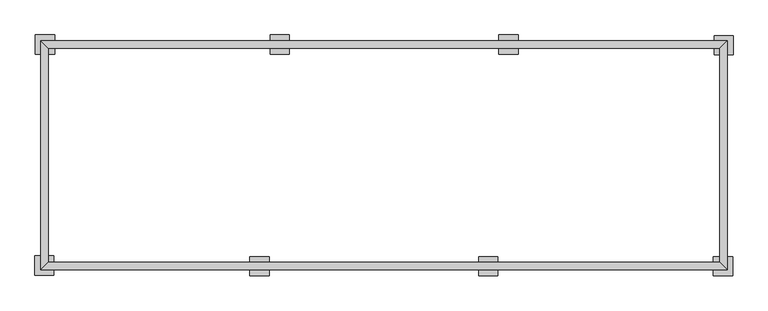
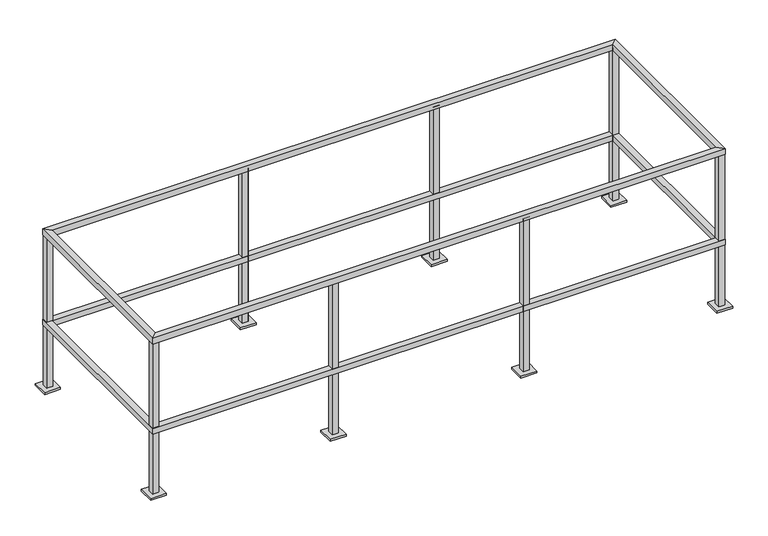
"""IFC4 building model written with IfcOpenShell, lengths in millimetres: railing geometry."""

from ifc_helpers import new_model, si_unit, frame, origin, origin_with_axes, place, context, project, spatial, polyline, outline, extrude, faceted_brep, source, transform, mapped, element, save


def railing_35b6e598(model_context):
    return source(origin(), model_context, "Body", "SolidModel", [
        faceted_brep([(-14193.5708618, -13649.3026485, 1066.8), (-14231.6708618, -13687.4026485, 1066.8), (-10574.0708618, -13687.4026485, 1066.8), (-10612.1708618, -13649.3026485, 1066.8), (-14231.6708618, -13687.4026485, 1028.7), (-10574.0708618, -13687.4026485, 1028.7), (-14193.5708618, -13649.3026485, 1028.7), (-10612.1708618, -13649.3026485, 1028.7), (-10612.1708618, -12506.3026485, 1066.8), (-10612.1708618, -12506.3026485, 1028.7), (-10574.0708618, -12468.2026485, 1028.7), (-10574.0708618, -12468.2026485, 1066.8), (-14193.5708618, -12506.3026485, 1066.8), (-14193.5708618, -12506.3026485, 1028.7), (-14231.6708618, -12468.2026485, 1028.7), (-14231.6708618, -12468.2026485, 1066.8)], [[[0, 1, 2, 3]], [[1, 4, 5, 2]], [[4, 6, 7, 5]], [[6, 0, 3, 7]], [[7, 3, 8, 9]], [[5, 7, 9, 10]], [[2, 5, 10, 11]], [[3, 2, 11, 8]], [[9, 8, 12, 13]], [[10, 9, 13, 14]], [[11, 10, 14, 15]], [[8, 11, 15, 12]], [[13, 12, 0, 6]], [[14, 13, 6, 4]], [[15, 14, 4, 1]], [[12, 15, 1, 0]]]),
        faceted_brep([(-10612.1708618, -13649.3026485, 419.1), (-10612.1708618, -13649.3026485, 457.2), (-10612.1708618, -12506.3026485, 457.2), (-10612.1708618, -12506.3026485, 419.1), (-10574.0708618, -13687.4026485, 419.1), (-10574.0708618, -12468.2026485, 419.1), (-10574.0708618, -13687.4026485, 457.2), (-10574.0708618, -12468.2026485, 457.2), (-14193.5708618, -12506.3026485, 457.2), (-14193.5708618, -12506.3026485, 419.1), (-14231.6708618, -12468.2026485, 419.1), (-14231.6708618, -12468.2026485, 457.2), (-14193.5708618, -13649.3026485, 457.2), (-14193.5708618, -13649.3026485, 419.1), (-14231.6708618, -13687.4026485, 419.1), (-14231.6708618, -13687.4026485, 457.2)], [[[0, 1, 2, 3]], [[4, 0, 3, 5]], [[6, 4, 5, 7]], [[1, 6, 7, 2]], [[3, 2, 8, 9]], [[5, 3, 9, 10]], [[7, 5, 10, 11]], [[2, 7, 11, 8]], [[9, 8, 12, 13]], [[10, 9, 13, 14]], [[11, 10, 14, 15]], [[8, 11, 15, 12]], [[13, 12, 1, 0]], [[14, 13, 0, 4]], [[15, 14, 4, 6]], [[12, 15, 6, 1]]]),
        extrude(outline(polyline([(-11828.1605971, -13687.4026485), (-11866.2605971, -13687.4026485), (-11866.2605971, -13649.3026485), (-11828.1605971, -13649.3026485), (-11828.1605971, -13687.4026485)]), holes=[polyline([(-11864.6730971, -13650.8901485), (-11864.6730971, -13685.8151485), (-11829.7480971, -13685.8151485), (-11829.7480971, -13650.8901485), (-11864.6730971, -13650.8901485)])]), frame((0.0, 0.0, 12.7), z_axis=(0.0, 0.0, 1.0), x_axis=(1.0, 0.0, 0.0)), (0.0, 0.0, 1.0), 1035.05),
        extrude(outline(polyline([(-11796.4105971, -13617.5526485), (-11796.4105971, -13719.1526485), (-11898.0105971, -13719.1526485), (-11898.0105971, -13617.5526485), (-11796.4105971, -13617.5526485)])), origin_with_axes(), (0.0, 0.0, 1.0), 12.7),
        extrude(outline(polyline([(-13047.3605971, -13687.4026485), (-13085.4605971, -13687.4026485), (-13085.4605971, -13649.3026485), (-13047.3605971, -13649.3026485), (-13047.3605971, -13687.4026485)]), holes=[polyline([(-13083.8730971, -13650.8901485), (-13083.8730971, -13685.8151485), (-13048.9480971, -13685.8151485), (-13048.9480971, -13650.8901485), (-13083.8730971, -13650.8901485)])]), frame((0.0, 0.0, 12.7), z_axis=(0.0, 0.0, 1.0), x_axis=(1.0, 0.0, 0.0)), (0.0, 0.0, 1.0), 1035.05),
        extrude(outline(polyline([(-13015.6105971, -13617.5526485), (-13015.6105971, -13719.1526485), (-13117.2105971, -13719.1526485), (-13117.2105971, -13617.5526485), (-13015.6105971, -13617.5526485)])), origin_with_axes(), (0.0, 0.0, 1.0), 12.7),
        extrude(outline(polyline([(-12977.5811266, -12468.2026485), (-12939.4811266, -12468.2026485), (-12939.4811266, -12506.3026485), (-12977.5811266, -12506.3026485), (-12977.5811266, -12468.2026485)]), holes=[polyline([(-12941.0686266, -12504.7151485), (-12941.0686266, -12469.7901485), (-12975.9936266, -12469.7901485), (-12975.9936266, -12504.7151485), (-12941.0686266, -12504.7151485)])]), frame((0.0, 0.0, 12.7), z_axis=(0.0, 0.0, 1.0), x_axis=(1.0, 0.0, 0.0)), (0.0, 0.0, 1.0), 1035.05),
        extrude(outline(polyline([(-13009.3311266, -12538.0526485), (-13009.3311266, -12436.4526485), (-12907.7311266, -12436.4526485), (-12907.7311266, -12538.0526485), (-13009.3311266, -12538.0526485)])), origin_with_axes(), (0.0, 0.0, 1.0), 12.7),
        extrude(outline(polyline([(-11758.3811266, -12468.2026485), (-11720.2811266, -12468.2026485), (-11720.2811266, -12506.3026485), (-11758.3811266, -12506.3026485), (-11758.3811266, -12468.2026485)]), holes=[polyline([(-11721.8686266, -12504.7151485), (-11721.8686266, -12469.7901485), (-11756.7936266, -12469.7901485), (-11756.7936266, -12504.7151485), (-11721.8686266, -12504.7151485)])]), frame((0.0, 0.0, 12.7), z_axis=(0.0, 0.0, 1.0), x_axis=(1.0, 0.0, 0.0)), (0.0, 0.0, 1.0), 1035.05),
        extrude(outline(polyline([(-11790.1311266, -12538.0526485), (-11790.1311266, -12436.4526485), (-11688.5311266, -12436.4526485), (-11688.5311266, -12538.0526485), (-11790.1311266, -12538.0526485)])), origin_with_axes(), (0.0, 0.0, 1.0), 12.7),
        extrude(outline(polyline([(-10577.2105971, -13687.4026485), (-10615.3105971, -13687.4026485), (-10615.3105971, -13649.3026485), (-10577.2105971, -13649.3026485), (-10577.2105971, -13687.4026485)]), holes=[polyline([(-10613.7230971, -13650.8901485), (-10613.7230971, -13685.8151485), (-10578.7980971, -13685.8151485), (-10578.7980971, -13650.8901485), (-10613.7230971, -13650.8901485)])]), frame((0.0, 0.0, 12.7), z_axis=(0.0, 0.0, 1.0), x_axis=(1.0, 0.0, 0.0)), (0.0, 0.0, 1.0), 1035.05),
        extrude(outline(polyline([(-10545.4605971, -13617.5526485), (-10545.4605971, -13719.1526485), (-10647.0605971, -13719.1526485), (-10647.0605971, -13617.5526485), (-10545.4605971, -13617.5526485)])), origin_with_axes(), (0.0, 0.0, 1.0), 12.7),
        extrude(outline(polyline([(-14231.6708618, -13684.2629132), (-14231.6708618, -13646.1629132), (-14193.5708618, -13646.1629132), (-14193.5708618, -13684.2629132), (-14231.6708618, -13684.2629132)]), holes=[polyline([(-14195.1583618, -13647.7504132), (-14230.0833618, -13647.7504132), (-14230.0833618, -13682.6754132), (-14195.1583618, -13682.6754132), (-14195.1583618, -13647.7504132)])]), frame((0.0, 0.0, 12.7), z_axis=(0.0, 0.0, 1.0), x_axis=(1.0, 0.0, 0.0)), (0.0, 0.0, 1.0), 1035.05),
        extrude(outline(polyline([(-14161.8208618, -13716.0129132), (-14263.4208618, -13716.0129132), (-14263.4208618, -13614.4129132), (-14161.8208618, -13614.4129132), (-14161.8208618, -13716.0129132)])), origin_with_axes(), (0.0, 0.0, 1.0), 12.7),
        extrude(outline(polyline([(-14228.5311266, -12468.2026485), (-14190.4311266, -12468.2026485), (-14190.4311266, -12506.3026485), (-14228.5311266, -12506.3026485), (-14228.5311266, -12468.2026485)]), holes=[polyline([(-14192.0186266, -12504.7151485), (-14192.0186266, -12469.7901485), (-14226.9436266, -12469.7901485), (-14226.9436266, -12504.7151485), (-14192.0186266, -12504.7151485)])]), frame((0.0, 0.0, 12.7), z_axis=(0.0, 0.0, 1.0), x_axis=(1.0, 0.0, 0.0)), (0.0, 0.0, 1.0), 1035.05),
        extrude(outline(polyline([(-14260.2811266, -12538.0526485), (-14260.2811266, -12436.4526485), (-14158.6811266, -12436.4526485), (-14158.6811266, -12538.0526485), (-14260.2811266, -12538.0526485)])), origin_with_axes(), (0.0, 0.0, 1.0), 12.7),
        extrude(outline(polyline([(-10574.0708618, -12471.3423838), (-10574.0708618, -12509.4423838), (-10612.1708618, -12509.4423838), (-10612.1708618, -12471.3423838), (-10574.0708618, -12471.3423838)]), holes=[polyline([(-10610.5833618, -12507.8548838), (-10575.6583618, -12507.8548838), (-10575.6583618, -12472.9298838), (-10610.5833618, -12472.9298838), (-10610.5833618, -12507.8548838)])]), frame((0.0, 0.0, 12.7), z_axis=(0.0, 0.0, 1.0), x_axis=(1.0, 0.0, 0.0)), (0.0, 0.0, 1.0), 1035.05),
        extrude(outline(polyline([(-10643.9208618, -12439.5923838), (-10542.3208618, -12439.5923838), (-10542.3208618, -12541.1923838), (-10643.9208618, -12541.1923838), (-10643.9208618, -12439.5923838)])), origin_with_axes(), (0.0, 0.0, 1.0), 12.7),
    ])


if __name__ == "__main__":
    model = new_model("IFC4")
    model_context = context("Model", 3, world=origin())
    ifc_project = project(units=[si_unit("LENGTHUNIT", "METRE", prefix="MILLI")], contexts=[model_context])
    site = spatial("IfcSite", under=ifc_project)
    building = spatial("IfcBuilding", under=site)
    placement = place(None, origin())
    railing_shape = railing_35b6e598(model_context)
    element("IfcRailing", 1, at=placement, inside=building, context=model_context, shape_type="MappedRepresentation", body=[
        mapped(railing_shape, transform((0.0, 0.0, 0.0), x_axis=(1.0, 0.0, 0.0), y_axis=(0.0, 1.0, 0.0), z_axis=(0.0, 0.0, 1.0))),
    ])
    save(model, "model.ifc")
